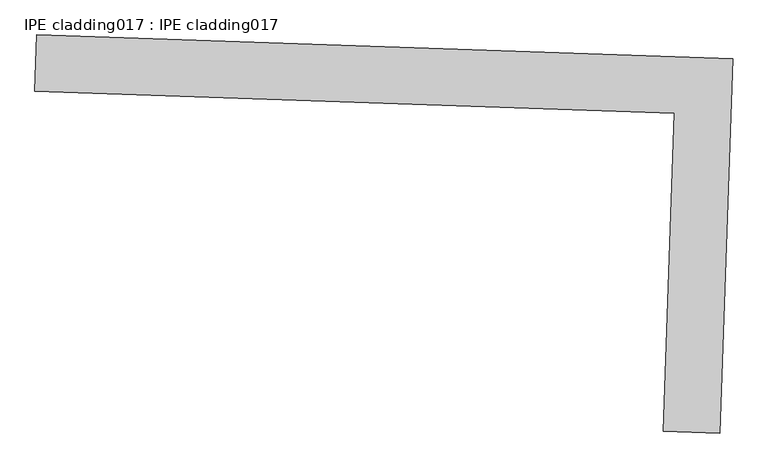
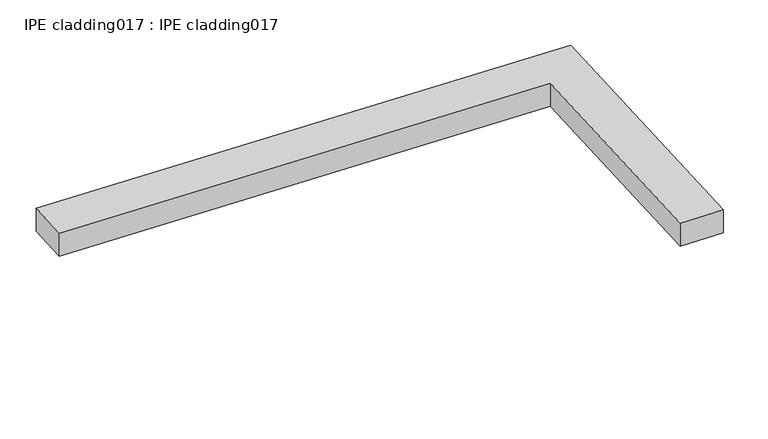
"""IFC4 building model written with IfcOpenShell, lengths in millimetres: proxy geometry, IPE cladding017 : IPE cladding017."""

from ifc_helpers import new_model, si_unit, frame, origin, place, context, project, spatial, polyline, outline, extrude, source, transform, mapped, element, save


def ipe_cladding017_ipe_cladding017_1e3bd67a(model_context):
    return source(origin(), model_context, "Body", "SweptSolid", [
        extrude(outline(polyline([(17306.5036742, -14579.7359016), (17309.5442111, -14490.8879127), (18404.9713727, -14528.3753852), (18384.8189495, -15117.2524238), (18295.9709604, -15114.2118872), (18313.0828471, -14614.1828373), (17306.5036742, -14579.7359016)])), frame((0.0, 0.0, 1851.975707), z_axis=(0.0, 0.0, 1.0), x_axis=(1.0, 0.0, 0.0)), (0.0, 0.0, 1.0), 50.8),
    ])


if __name__ == "__main__":
    model = new_model("IFC4")
    model_context = context("Model", 3, world=origin())
    ifc_project = project(units=[si_unit("LENGTHUNIT", "METRE", prefix="MILLI")], contexts=[model_context])
    site = spatial("IfcSite", under=ifc_project)
    building = spatial("IfcBuilding", under=site)
    placement = place(None, origin())
    ipe_cladding017_ipe_cladding017_shape = ipe_cladding017_ipe_cladding017_1e3bd67a(model_context)
    element("IfcBuildingElementProxy", 1, Name="IPE cladding017 : IPE cladding017", ObjectType="IPE cladding017 : IPE cladding017", at=placement, inside=building, context=model_context, shape_type="MappedRepresentation", body=[
        mapped(ipe_cladding017_ipe_cladding017_shape, transform((0.0, 0.0, 0.0), x_axis=(1.0, 0.0, 0.0), y_axis=(0.0, 1.0, 0.0), z_axis=(0.0, 0.0, 1.0))),
    ])
    save(model, "model.ifc")
